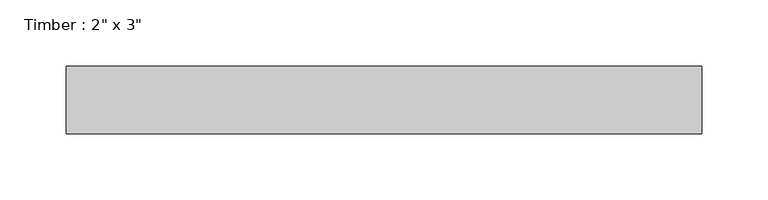
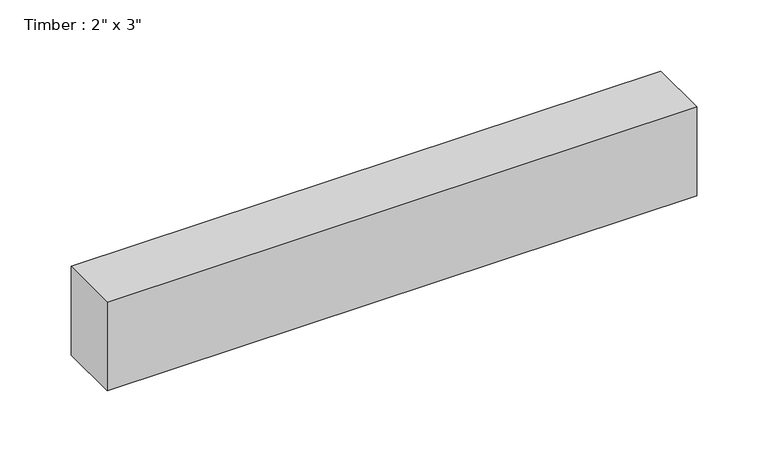
"""IFC4 building model written with IfcOpenShell, lengths in millimetres: beam geometry."""

from ifc_helpers import new_model, si_unit, frame, origin, place, context, project, spatial, polyline, outline, extrude, source, transform, mapped, element, save


def beam_812954b7(model_context):
    return source(origin(), model_context, "Body", "SweptSolid", [
        extrude(outline(polyline([(239.7234914, -25.4), (-239.7234914, -25.4), (-239.7234914, 25.4), (239.7234914, 25.4), (239.7234914, -25.4)])), frame((0.0, 0.0, -38.1), z_axis=(0.0, 0.0, 1.0), x_axis=(1.0, 0.0, 0.0)), (0.0, 0.0, 1.0), 76.2),
    ])


if __name__ == "__main__":
    model = new_model("IFC4")
    model_context = context("Model", 3, world=origin())
    ifc_project = project(units=[si_unit("LENGTHUNIT", "METRE", prefix="MILLI")], contexts=[model_context])
    site = spatial("IfcSite", under=ifc_project)
    building = spatial("IfcBuilding", under=site)
    placement = place(None, origin())
    beam_shape = beam_812954b7(model_context)
    element("IfcBeam", 1, ObjectType="Timber : 2\" x 3\"", at=placement, inside=building, context=model_context, shape_type="MappedRepresentation", body=[
        mapped(beam_shape, transform((0.0, 0.0, 0.0), x_axis=(1.0, 0.0, 0.0), y_axis=(0.0, 1.0, 0.0), z_axis=(0.0, 0.0, 1.0))),
    ])
    save(model, "model.ifc")
